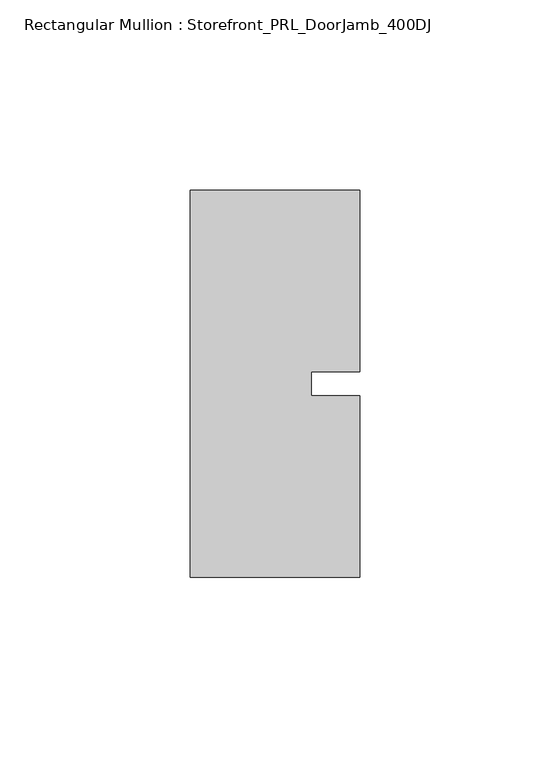
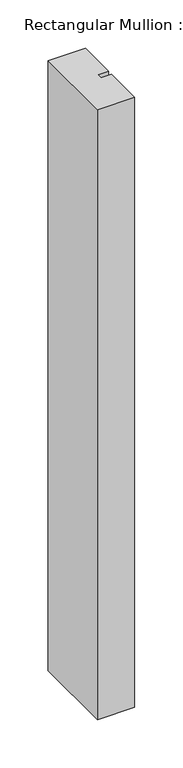
"""IFC4 building model written with IfcOpenShell, lengths in millimetres: member geometry, Rectangular Mullion : Storefront_PRL_DoorJamb_400DJ."""

from ifc_helpers import new_model, si_unit, frame, origin, place, context, project, spatial, polyline, outline, extrude, source, transform, mapped, element, save


def rectangular_mullion_storefront_prl_doorjamb_400dj_0455e2ab(model_context):
    return source(origin(), model_context, "Body", "SweptSolid", [
        extrude(outline(polyline([(9.525, -3.175), (22.225, -3.175), (22.225, -50.8), (-22.225, -50.8), (-22.225, 50.8), (22.225, 50.8), (22.225, 3.175), (9.525, 3.175), (9.525, -3.175)])), frame((0.0, 0.0, -768.35), z_axis=(0.0, 0.0, 1.0), x_axis=(1.0, 0.0, 0.0)), (0.0, 0.0, 1.0), 768.35),
    ])


if __name__ == "__main__":
    model = new_model("IFC4")
    model_context = context("Model", 3, world=origin())
    ifc_project = project(units=[si_unit("LENGTHUNIT", "METRE", prefix="MILLI")], contexts=[model_context])
    site = spatial("IfcSite", under=ifc_project)
    building = spatial("IfcBuilding", under=site)
    placement = place(None, origin())
    rectangular_mullion_storefront_prl_doorjamb_400dj_shape = rectangular_mullion_storefront_prl_doorjamb_400dj_0455e2ab(model_context)
    element("IfcMember", 1, ObjectType="Rectangular Mullion : Storefront_PRL_DoorJamb_400DJ", at=placement, inside=building, context=model_context, shape_type="MappedRepresentation", body=[
        mapped(rectangular_mullion_storefront_prl_doorjamb_400dj_shape, transform((0.0, 0.0, 0.0), x_axis=(1.0, 0.0, 0.0), y_axis=(0.0, 1.0, 0.0), z_axis=(0.0, 0.0, 1.0))),
    ])
    save(model, "model.ifc")
